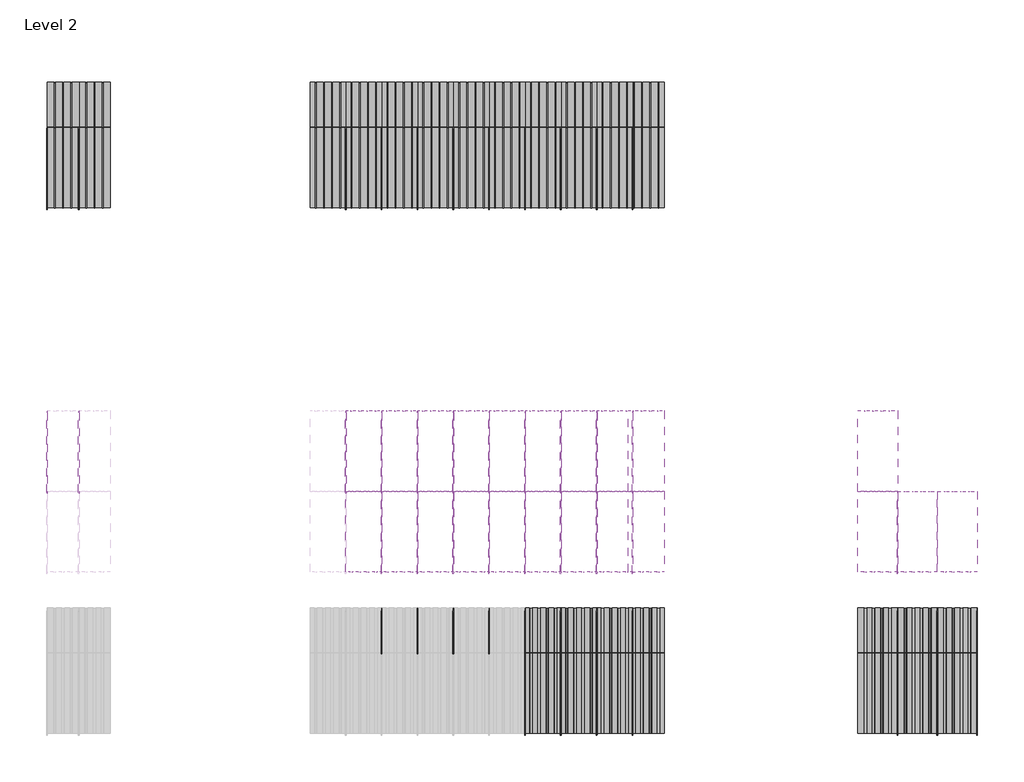
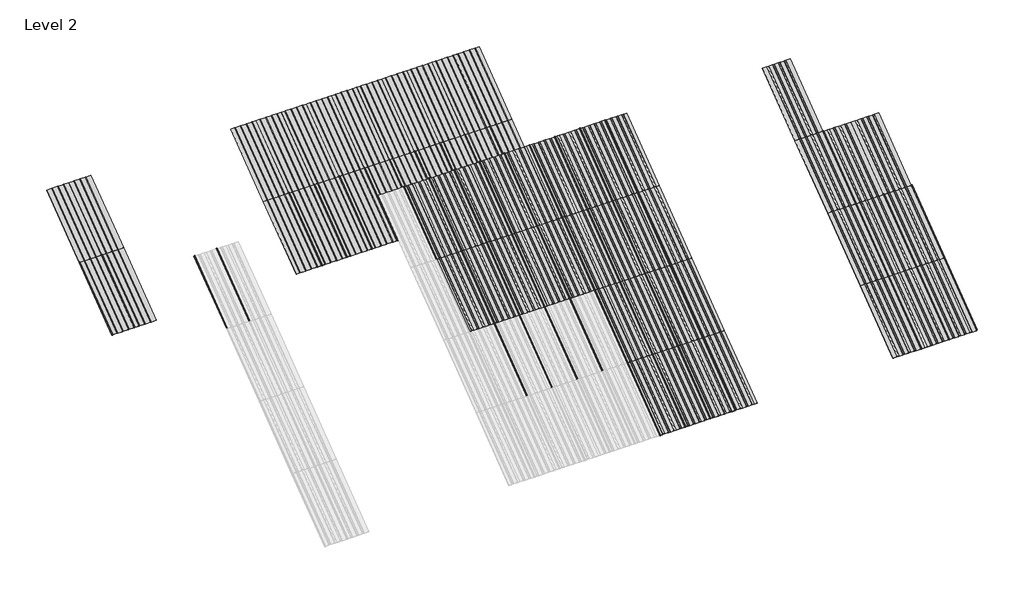
# One storey, part 25 of 113: 60 plates, 49 members.
"""IFC4 building model written with IfcOpenShell, lengths in millimetres."""

import ifcopenshell
import ifcopenshell.guid

model = None  # the IFC model being written
_history = None  # IfcOwnerHistory: only IFC2X3 demands one
_inside = {}  # id of a spatial element -> (the spatial element, [elements in it])
_under = {}  # id of a project, library or spatial element -> (it, [spatial elements below it])
_declared = {}  # id of a project -> (the project, [libraries it declares])
_typed = {}  # id of a type object -> (the type object, [elements of that type])
_made_of = {}  # id of a material, layer set ... -> (it, [elements and type objects made of it])


def new_model(schema):
    """Start an empty IFC model of exactly this schema.

    Asked for "IFC4X3", IfcOpenShell would pick the latest addendum, in which some entities
    have other attributes; the version numbers below select the first issue.
    IFC2X3 requires an IfcOwnerHistory on every rooted entity: one is made here for all.
    """
    global model, _history
    if schema == "IFC4X3":
        model = ifcopenshell.file(schema_version=(4, 3, 0, 0))
    else:
        model = ifcopenshell.file(schema=schema)
    _inside.clear()
    _under.clear()
    _declared.clear()
    _typed.clear()
    _made_of.clear()
    _history = None
    if model.schema == "IFC2X3":
        org = make("IfcOrganization", Name="unknown")
        user = make(
            "IfcPersonAndOrganization",
            ThePerson=make("IfcPerson", FamilyName="unknown"),
            TheOrganization=org,
        )
        app = make(
            "IfcApplication",
            ApplicationDeveloper=org,
            Version="unknown",
            ApplicationFullName="unknown",
            ApplicationIdentifier="unknown",
        )
        _history = make(
            "IfcOwnerHistory",
            OwningUser=user,
            OwningApplication=app,
            ChangeAction="ADDED",
            CreationDate=0,
        )
    return model


def make(cls, **values):
    """One entity of the class cls with the attributes given. An attribute that is None is left unset."""
    return model.create_entity(
        cls, **{name: value for name, value in values.items() if value is not None}
    )


def rooted(cls, **values):
    """An entity with a GlobalId (a new one), such as an element, a storey or a relation."""
    return make(cls, GlobalId=ifcopenshell.guid.new(), OwnerHistory=_history, **values)


def si_unit(unit_type, name, prefix=None):
    """IfcSIUnit, for example si_unit("LENGTHUNIT", "METRE", prefix="MILLI")."""
    return make("IfcSIUnit", UnitType=unit_type, Prefix=prefix, Name=name)


def assignment(units):
    """IfcUnitAssignment: the units of a project."""
    return None if units is None else make("IfcUnitAssignment", Units=units)


def point(xyz):
    """IfcCartesianPoint."""
    return None if xyz is None else make("IfcCartesianPoint", Coordinates=xyz)


def direction(xyz):
    """IfcDirection."""
    return None if xyz is None else make("IfcDirection", DirectionRatios=xyz)


def frame(location, z_axis=None, x_axis=None):
    """IfcAxis2Placement3D, a coordinate frame: its origin and axes. An axis left out is left unset."""
    return make(
        "IfcAxis2Placement3D",
        Location=point(location),
        Axis=direction(z_axis),
        RefDirection=direction(x_axis),
    )


def frame_2d(location, x_axis=None):
    """IfcAxis2Placement2D, a coordinate frame in the plane: its origin and x axis."""
    return make(
        "IfcAxis2Placement2D", Location=point(location), RefDirection=direction(x_axis)
    )


def origin():
    """The frame at (0, 0, 0) with its axes left unset."""
    return frame((0.0, 0.0, 0.0))


def origin_with_axes():
    """The frame at (0, 0, 0) with the z axis (0, 0, 1) and the x axis (1, 0, 0) written out."""
    return frame((0.0, 0.0, 0.0), z_axis=(0.0, 0.0, 1.0), x_axis=(1.0, 0.0, 0.0))


def origin_2d():
    """The frame at (0, 0) in the plane with its x axis left unset."""
    return frame_2d((0.0, 0.0))


def place(relative_to, where):
    """IfcLocalPlacement: puts the frame where relative to a parent placement (None: the world)."""
    return make(
        "IfcLocalPlacement", PlacementRelTo=relative_to, RelativePlacement=where
    )


def context(
    kind, dimensions, precision=None, world=None, true_north=None, identifier=None
):
    """IfcGeometricRepresentationContext, for example the 3D "Model" context."""
    return make(
        "IfcGeometricRepresentationContext",
        ContextIdentifier=identifier,
        ContextType=kind,
        CoordinateSpaceDimension=dimensions,
        Precision=precision,
        WorldCoordinateSystem=world,
        TrueNorth=true_north,
    )


def project(units=None, contexts=None):
    """IfcProject with its units and contexts."""
    return rooted(
        "IfcProject",
        Name="project",
        RepresentationContexts=contexts,
        UnitsInContext=assignment(units),
    )


def spatial(cls, under=None, at=None, **own):
    """A site, building, storey or space (cls), placed at a placement, below another one or the project."""
    s = rooted(cls, ObjectPlacement=at, **own)
    if under is not None:
        _under.setdefault(under.id(), (under, []))[1].append(s)
    return s


def polyline(points):
    """IfcPolyline through the points."""
    return make("IfcPolyline", Points=[point(p) for p in points])


def circle_curve(where, radius):
    """IfcCircle in the frame where."""
    return make("IfcCircle", Position=where, Radius=radius)


def trimmed(basis, trim1, trim2, sense, master):
    """IfcTrimmedCurve: the piece of a basis curve between two trims."""
    return make(
        "IfcTrimmedCurve",
        BasisCurve=basis,
        Trim1=trim1,
        Trim2=trim2,
        SenseAgreement=sense,
        MasterRepresentation=master,
    )


def segment(curve, same_sense, transition):
    """IfcCompositeCurveSegment."""
    return make(
        "IfcCompositeCurveSegment",
        Transition=transition,
        SameSense=same_sense,
        ParentCurve=curve,
    )


def composite_curve(segments, self_intersect=None):
    """IfcCompositeCurve: segments joined end to end."""
    return make("IfcCompositeCurve", Segments=segments, SelfIntersect=self_intersect)


def outline(outer, holes=None, kind="AREA"):
    """IfcArbitraryClosedProfileDef: a profile drawn as a closed curve; with holes, ...WithVoids."""
    if holes is None:
        return make("IfcArbitraryClosedProfileDef", ProfileType=kind, OuterCurve=outer)
    return make(
        "IfcArbitraryProfileDefWithVoids",
        ProfileType=kind,
        OuterCurve=outer,
        InnerCurves=holes,
    )


def extrude(swept, where, along, depth):
    """IfcExtrudedAreaSolid: the profile swept, set in the frame where, extruded along a direction by depth."""
    return make(
        "IfcExtrudedAreaSolid",
        SweptArea=swept,
        Position=where,
        ExtrudedDirection=direction(along),
        Depth=depth,
    )


def shape(context_of_items, identifier, shape_type, items):
    """IfcShapeRepresentation: the items that make up one representation, for example the "Body"."""
    return make(
        "IfcShapeRepresentation",
        ContextOfItems=context_of_items,
        RepresentationIdentifier=identifier,
        RepresentationType=shape_type,
        Items=items,
    )


def source(mapping_origin, context_of_items, identifier, shape_type, items):
    """IfcRepresentationMap: a shape defined once, which mapped items show again and again."""
    return make(
        "IfcRepresentationMap",
        MappingOrigin=mapping_origin,
        MappedRepresentation=shape(context_of_items, identifier, shape_type, items),
    )


def transform(
    local_origin,
    x_axis=None,
    y_axis=None,
    z_axis=None,
    scale=None,
    scale2=None,
    scale3=None,
    uniform=True,
):
    """IfcCartesianTransformationOperator3D, or its non-uniform kind. x_axis, y_axis, z_axis: its Axis1, 2, 3."""
    if uniform:
        return make(
            "IfcCartesianTransformationOperator3D",
            Axis1=direction(x_axis),
            Axis2=direction(y_axis),
            LocalOrigin=point(local_origin),
            Scale=scale,
            Axis3=direction(z_axis),
        )
    return make(
        "IfcCartesianTransformationOperator3DnonUniform",
        Axis1=direction(x_axis),
        Axis2=direction(y_axis),
        LocalOrigin=point(local_origin),
        Scale=scale,
        Axis3=direction(z_axis),
        Scale2=scale2,
        Scale3=scale3,
    )


def mapped(mapping_source, mapping_target):
    """IfcMappedItem: shows the shape of a source again, moved by a transform."""
    return make(
        "IfcMappedItem", MappingSource=mapping_source, MappingTarget=mapping_target
    )


def made_of(thing, what):
    """Note that an element or type object is made of a material, layer set ...; save() writes the relation."""
    if what is not None:
        _made_of.setdefault(what.id(), (what, []))[1].append(thing)
    return thing


def element(
    cls,
    number,
    at=None,
    inside=None,
    cuts=None,
    type_object=None,
    material=None,
    context=None,
    identifier="Body",
    shape_type=None,
    held_by="IfcProductDefinitionShape",
    body=None,
    shapes=None,
    **own,
):
    """One element of the class cls, such as IfcWall. Its Tag is "e" and its number.

    at: its placement. inside: the storey or other place that contains it. cuts: it is an
    opening in that element (IfcRelVoidsElement). A single representation is given by context,
    identifier, shape_type and body (its items); several are given by shapes. held_by: the class
    of the entity that holds the representations. save() writes the other relations.
    """
    e = rooted(cls, Tag="e%d" % number, ObjectPlacement=at, **own)
    if body is not None:
        shapes = [shape(context, identifier, shape_type, body)]
    if shapes is not None:
        e.Representation = make(held_by, Representations=shapes)
    if inside is not None:
        _inside.setdefault(inside.id(), (inside, []))[1].append(e)
    if cuts is not None:
        rooted(
            "IfcRelVoidsElement", RelatingBuildingElement=cuts, RelatedOpeningElement=e
        )
    if type_object is not None:
        _typed.setdefault(type_object.id(), (type_object, []))[1].append(e)
    return made_of(e, material)


def aggregate(whole, parts):
    """IfcRelAggregates: a whole, such as a stair, and the parts it consists of."""
    return rooted("IfcRelAggregates", RelatingObject=whole, RelatedObjects=parts)


def save(model, path):
    """Write the relations noted so far, then the file.

    IfcRelAggregates (storeys below a building ...), IfcRelContainedInSpatialStructure (elements
    in a storey), IfcRelDefinesByType, IfcRelAssociatesMaterial and IfcRelDeclares: one each for
    every whole, place, type object, material and project.
    """
    for whole, parts in _under.values():
        aggregate(whole, parts)
    for where, things in _inside.values():
        rooted(
            "IfcRelContainedInSpatialStructure",
            RelatedElements=things,
            RelatingStructure=where,
        )
    for kind, things in _typed.values():
        rooted("IfcRelDefinesByType", RelatedObjects=things, RelatingType=kind)
    for what, things in _made_of.values():
        rooted("IfcRelAssociatesMaterial", RelatedObjects=things, RelatingMaterial=what)
    for by, libraries in _declared.values():
        rooted("IfcRelDeclares", RelatingContext=by, RelatedDefinitions=libraries)
    model.write(path)


def rectangular_mullion_fdfbbcc3(model_context):
    return source(origin(), model_context, "Body", "SweptSolid", [
        extrude(outline(composite_curve([segment(polyline([(-1.651, -33.7200875), (-1.651, 0.5953125), (1.778, 0.5953125), (1.778, -36.2600875)]), True, "CONTINUOUS"), segment(trimmed(circle_curve(frame_2d((-0.762, -36.2600875)), 2.54), [point((1.778, -36.2600875))], [point((-0.762, -38.8000875))], False, "CARTESIAN"), True, "CONTINUOUS"), segment(polyline([(-0.762, -38.8000875), (-5.207, -38.8000875)]), True, "CONTINUOUS"), segment(trimmed(circle_curve(frame_2d((-5.207, -36.2600875)), 2.54), [point((-5.207, -38.8000875))], [point((-7.747, -36.2600875))], False, "CARTESIAN"), True, "CONTINUOUS"), segment(polyline([(-7.747, -36.2600875), (-7.747, -26.2270875)]), True, "CONTINUOUS"), segment(trimmed(circle_curve(frame_2d((-5.207, -26.2270875)), 2.54), [point((-7.747, -26.2270875))], [point((-2.667, -26.2270875))], False, "CARTESIAN"), True, "CONTINUOUS"), segment(polyline([(-2.667, -26.2270875), (-2.667, -33.7200875), (-1.651, -33.7200875)]), True, "CONTINUOUS")], self_intersect=False)), frame((0.0, 0.0, -1285.875), z_axis=(0.0, 0.0, 1.0), x_axis=(1.0, 0.0, 0.0)), (0.0, 0.0, 1.0), 1285.875),
    ])


def plate_0_04_aluminium_7b209127(model_context):
    return source(origin(), model_context, "Body", "SweptSolid", [
        extrude(outline(polyline([(33.654793, 0.0), (-33.654793, 0.0), (-37.203173, -3.54838), (-66.870787, -3.54838), (-70.419167, 0.0), (-137.728753, 0.0), (-141.277133, -3.54838), (-170.944747, -3.54838), (-174.493127, 0.0), (-228.6, 0.0), (-228.6, 1.016), (-174.42942, 1.016), (-170.88104, -2.53238), (-141.34084, -2.53238), (-137.79246, 1.016), (-70.35546, 1.016), (-66.80708, -2.53238), (-37.26688, -2.53238), (-33.7185, 1.016), (33.7185, 1.016), (37.26688, -2.53238), (66.80708, -2.53238), (70.35546, 1.016), (137.79246, 1.016), (141.34084, -2.53238), (170.88104, -2.53238), (174.42942, 1.016), (228.6, 1.016), (228.6, 0.0), (174.493127, 0.0), (170.944747, -3.54838), (141.277133, -3.54838), (137.728753, 0.0), (70.419167, 0.0), (66.870787, -3.54838), (37.203173, -3.54838), (33.654793, 0.0)])), origin_with_axes(), (0.0, 0.0, 1.0), 1285.875),
    ])


def plate_0_04_aluminium_c12e473e(model_context):
    return source(origin(), model_context, "Body", "SweptSolid", [
        extrude(outline(polyline([(33.654793, 0.0), (-33.654793, 0.0), (-37.203173, -3.54838), (-66.870787, -3.54838), (-70.419167, 0.0), (-137.728753, 0.0), (-141.277133, -3.54838), (-170.944747, -3.54838), (-174.493127, 0.0), (-254.0, 0.0), (-254.0, 1.016), (-174.42942, 1.016), (-170.88104, -2.53238), (-141.34084, -2.53238), (-137.79246, 1.016), (-70.35546, 1.016), (-66.80708, -2.53238), (-37.26688, -2.53238), (-33.7185, 1.016), (33.7185, 1.016), (37.26688, -2.53238), (66.80708, -2.53238), (70.35546, 1.016), (137.79246, 1.016), (141.34084, -2.53238), (170.88104, -2.53238), (174.42942, 1.016), (254.0, 1.016), (254.0, 0.0), (174.493127, 0.0), (170.944747, -3.54838), (141.277133, -3.54838), (137.728753, 0.0), (70.419167, 0.0), (66.870787, -3.54838), (37.203173, -3.54838), (33.654793, 0.0)])), origin_with_axes(), (0.0, 0.0, 1.0), 1285.875),
    ])


def plate_0_04_aluminium_0b8a259f(model_context):
    return source(origin(), model_context, "Body", "SweptSolid", [
        extrude(outline(composite_curve([segment(polyline([(-111.1987494, 1.016), (-111.1987494, 0.0)]), True, "CONTINUOUS"), segment(trimmed(circle_curve(frame_2d((-105.6615494, 0.0)), 5.5372), [point((-111.1987494, 0.0))], [point((-100.1243494, 0.0))], True, "CARTESIAN"), True, "CONTINUOUS"), segment(polyline([(-100.1243494, 0.0), (-100.1243494, 0.8128), (-5.5372, 0.8128), (-5.5372, 0.0)]), True, "CONTINUOUS"), segment(trimmed(circle_curve(origin_2d(), 5.5372), [point((-5.5372, 0.0))], [point((5.5372, 0.0))], True, "CARTESIAN"), True, "CONTINUOUS"), segment(polyline([(5.5372, 0.0), (5.5372, 0.8128), (98.53676, 0.8128), (98.53676, 0.0)]), True, "CONTINUOUS"), segment(trimmed(circle_curve(frame_2d((104.07396, 0.0)), 5.5372), [point((98.53676, 0.0))], [point((109.61116, 0.0))], True, "CARTESIAN"), True, "CONTINUOUS"), segment(polyline([(109.61116, 0.0), (109.61116, 0.8128), (203.2, 0.8128), (203.2, 0.0), (110.42396, 0.0)]), True, "CONTINUOUS"), segment(trimmed(circle_curve(frame_2d((104.07396, 0.0)), 6.35), [point((110.42396, 0.0))], [point((97.72396, 0.0))], False, "CARTESIAN"), True, "CONTINUOUS"), segment(polyline([(97.72396, 0.0), (6.35, 0.0)]), True, "CONTINUOUS"), segment(trimmed(circle_curve(origin_2d(), 6.35), [point((6.35, 0.0))], [point((-6.35, 0.0))], False, "CARTESIAN"), True, "CONTINUOUS"), segment(polyline([(-6.35, 0.0), (-99.3115494, 0.0)]), True, "CONTINUOUS"), segment(trimmed(circle_curve(frame_2d((-105.6615494, 0.0)), 6.35), [point((-99.3115494, 0.0))], [point((-112.0115494, 0.0))], False, "CARTESIAN"), True, "CONTINUOUS"), segment(polyline([(-112.0115494, 0.0), (-203.2, 0.0), (-203.2, 1.016), (-111.1987494, 1.016)]), True, "CONTINUOUS")], self_intersect=False)), origin_with_axes(), (0.0, 0.0, 1.0), 1285.875),
    ])


def plate_0_04_aluminium_6ef417ca(model_context):
    return source(origin(), model_context, "Body", "SweptSolid", [
        extrude(outline(composite_curve([segment(polyline([(45.68698, 0.0), (-45.68698, 0.0)]), True, "CONTINUOUS"), segment(trimmed(circle_curve(frame_2d((-52.03698, 0.0)), 6.35), [point((-45.68698, 0.0))], [point((-58.38698, 0.0))], False, "CARTESIAN"), True, "CONTINUOUS"), segment(polyline([(-58.38698, 0.0), (-149.76094, 0.0)]), True, "CONTINUOUS"), segment(trimmed(circle_curve(frame_2d((-156.11094, 0.0)), 6.35), [point((-149.76094, 0.0))], [point((-162.46094, 0.0))], False, "CARTESIAN"), True, "CONTINUOUS"), segment(polyline([(-162.46094, 0.0), (-228.6, 0.0), (-228.6, 1.016), (-161.64814, 1.016), (-161.64814, 0.0)]), True, "CONTINUOUS"), segment(trimmed(circle_curve(frame_2d((-156.11094, 0.0)), 5.5372), [point((-161.64814, 0.0))], [point((-150.57374, 0.0))], True, "CARTESIAN"), True, "CONTINUOUS"), segment(polyline([(-150.57374, 0.0), (-150.57374, 1.016), (-57.57418, 1.016), (-57.57418, 0.0)]), True, "CONTINUOUS"), segment(trimmed(circle_curve(frame_2d((-52.03698, 0.0)), 5.5372), [point((-57.57418, 0.0))], [point((-46.49978, 0.0))], True, "CARTESIAN"), True, "CONTINUOUS"), segment(polyline([(-46.49978, 0.0), (-46.49978, 1.016), (46.49978, 1.016), (46.49978, 0.0)]), True, "CONTINUOUS"), segment(trimmed(circle_curve(frame_2d((52.03698, 0.0)), 5.5372), [point((46.49978, 0.0))], [point((57.57418, 0.0))], True, "CARTESIAN"), True, "CONTINUOUS"), segment(polyline([(57.57418, 0.0), (57.57418, 1.016), (150.57374, 1.016), (150.57374, 0.0)]), True, "CONTINUOUS"), segment(trimmed(circle_curve(frame_2d((156.11094, 0.0)), 5.5372), [point((150.57374, 0.0))], [point((161.64814, 0.0))], True, "CARTESIAN"), True, "CONTINUOUS"), segment(polyline([(161.64814, 0.0), (161.64814, 1.016), (228.6, 1.016), (228.6, 0.0), (162.46094, 0.0)]), True, "CONTINUOUS"), segment(trimmed(circle_curve(frame_2d((156.11094, 0.0)), 6.35), [point((162.46094, 0.0))], [point((149.76094, 0.0))], False, "CARTESIAN"), True, "CONTINUOUS"), segment(polyline([(149.76094, 0.0), (58.38698, 0.0)]), True, "CONTINUOUS"), segment(trimmed(circle_curve(frame_2d((52.03698, 0.0)), 6.35), [point((58.38698, 0.0))], [point((45.68698, 0.0))], False, "CARTESIAN"), True, "CONTINUOUS")], self_intersect=False)), origin_with_axes(), (0.0, 0.0, 1.0), 1285.875),
    ])


model = new_model("IFC4")

# Units and contexts
model_context = context("Model", 3, world=origin())
ifc_project = project(units=[si_unit("LENGTHUNIT", "METRE", prefix="MILLI")], contexts=[model_context])

# Site, building, storey
site = spatial("IfcSite", under=ifc_project)
building = spatial("IfcBuilding", under=site)
storey = spatial("IfcBuildingStorey", under=building, Name="Level 2", Elevation=3048.0)

# Members
placement = place(None, origin())
rectangular_mullion_shape = rectangular_mullion_fdfbbcc3(model_context)
element("IfcMember", 1, ObjectType="Rectangular Mullion", at=placement, inside=storey, context=model_context, shape_type="MappedRepresentation", body=[
    mapped(rectangular_mullion_shape, transform((32109.7538419, 52371.3111864, 6134.1), x_axis=(1.0, 0.0, 0.0), y_axis=(0.0, 0.5999999999999946, -0.800000000000004), z_axis=(0.0, 0.800000000000004, 0.5999999999999946))),
])
element("IfcMember", 2, ObjectType="Rectangular Mullion", at=placement, inside=storey, context=model_context, shape_type="MappedRepresentation", body=[
    mapped(rectangular_mullion_shape, transform((35919.7538419, 52371.3111864, 6134.1), x_axis=(1.0, 0.0, 0.0), y_axis=(0.0, 0.5999999999999946, -0.800000000000004), z_axis=(0.0, 0.800000000000004, 0.5999999999999946))),
])
element("IfcMember", 3, ObjectType="Rectangular Mullion", at=placement, inside=storey, context=model_context, shape_type="MappedRepresentation", body=[
    mapped(rectangular_mullion_shape, transform((36376.9538419, 52371.3111864, 6134.1), x_axis=(1.0, 0.0, 0.0), y_axis=(0.0, 0.5999999999999946, -0.800000000000004), z_axis=(0.0, 0.800000000000004, 0.5999999999999946))),
])
element("IfcMember", 4, ObjectType="Rectangular Mullion", at=placement, inside=storey, context=model_context, shape_type="MappedRepresentation", body=[
    mapped(rectangular_mullion_shape, transform((36834.1538419, 52371.3111864, 6134.1), x_axis=(1.0, 0.0, 0.0), y_axis=(0.0, 0.5999999999999946, -0.800000000000004), z_axis=(0.0, 0.800000000000004, 0.5999999999999946))),
])
element("IfcMember", 5, ObjectType="Rectangular Mullion", at=placement, inside=storey, context=model_context, shape_type="MappedRepresentation", body=[
    mapped(rectangular_mullion_shape, transform((37291.3538419, 52371.3111864, 6134.1), x_axis=(1.0, 0.0, 0.0), y_axis=(0.0, 0.5999999999999946, -0.800000000000004), z_axis=(0.0, 0.800000000000004, 0.5999999999999946))),
])
element("IfcMember", 6, ObjectType="Rectangular Mullion", at=placement, inside=storey, context=model_context, shape_type="MappedRepresentation", body=[
    mapped(rectangular_mullion_shape, transform((37748.5538419, 52371.3111864, 6134.1), x_axis=(1.0, 0.0, 0.0), y_axis=(0.0, 0.5999999999999946, -0.800000000000004), z_axis=(0.0, 0.800000000000004, 0.5999999999999946))),
])
element("IfcMember", 7, ObjectType="Rectangular Mullion", at=placement, inside=storey, context=model_context, shape_type="MappedRepresentation", body=[
    mapped(rectangular_mullion_shape, transform((38205.7538419, 52371.3111864, 6134.1), x_axis=(1.0, 0.0, 0.0), y_axis=(0.0, 0.5999999999999946, -0.800000000000004), z_axis=(0.0, 0.800000000000004, 0.5999999999999946))),
])
element("IfcMember", 8, ObjectType="Rectangular Mullion", at=placement, inside=storey, context=model_context, shape_type="MappedRepresentation", body=[
    mapped(rectangular_mullion_shape, transform((38662.9538419, 52371.3111864, 6134.1), x_axis=(1.0, 0.0, 0.0), y_axis=(0.0, 0.5999999999999946, -0.800000000000004), z_axis=(0.0, 0.800000000000004, 0.5999999999999946))),
])
element("IfcMember", 9, ObjectType="Rectangular Mullion", at=placement, inside=storey, context=model_context, shape_type="MappedRepresentation", body=[
    mapped(rectangular_mullion_shape, transform((39120.1538419, 52371.3111864, 6134.1), x_axis=(1.0, 0.0, 0.0), y_axis=(0.0, 0.5999999999999946, -0.800000000000004), z_axis=(0.0, 0.800000000000004, 0.5999999999999946))),
])
element("IfcMember", 10, ObjectType="Rectangular Mullion", at=placement, inside=storey, context=model_context, shape_type="MappedRepresentation", body=[
    mapped(rectangular_mullion_shape, transform((39577.3538419, 52371.3111864, 6134.1), x_axis=(1.0, 0.0, 0.0), y_axis=(0.0, 0.5999999999999946, -0.800000000000004), z_axis=(0.0, 0.800000000000004, 0.5999999999999946))),
])
element("IfcMember", 11, ObjectType="Rectangular Mullion", at=placement, inside=storey, context=model_context, shape_type="MappedRepresentation", body=[
    mapped(rectangular_mullion_shape, transform((32516.1538419, 52371.3111864, 6134.1), x_axis=(1.0, 0.0, 0.0), y_axis=(0.0, 0.5999999999999946, -0.800000000000004), z_axis=(0.0, 0.800000000000004, 0.5999999999999946))),
])
element("IfcMember", 12, ObjectType="Rectangular Mullion", at=placement, inside=storey, context=model_context, shape_type="MappedRepresentation", body=[
    mapped(rectangular_mullion_shape, transform((38205.7538419, 49285.2111864, 3819.525), x_axis=(1.0, 0.0, 0.0), y_axis=(0.0, 0.5999999999999939, -0.8000000000000047), z_axis=(0.0, 0.8000000000000047, 0.5999999999999939))),
])
element("IfcMember", 13, ObjectType="Rectangular Mullion", at=placement, inside=storey, context=model_context, shape_type="MappedRepresentation", body=[
    mapped(rectangular_mullion_shape, transform((38662.9538419, 49285.2111864, 3819.525), x_axis=(1.0, 0.0, 0.0), y_axis=(0.0, 0.5999999999999939, -0.8000000000000047), z_axis=(0.0, 0.8000000000000047, 0.5999999999999939))),
])
element("IfcMember", 14, ObjectType="Rectangular Mullion", at=placement, inside=storey, context=model_context, shape_type="MappedRepresentation", body=[
    mapped(rectangular_mullion_shape, transform((39120.1538419, 49285.2111864, 3819.525), x_axis=(1.0, 0.0, 0.0), y_axis=(0.0, 0.5999999999999939, -0.8000000000000047), z_axis=(0.0, 0.8000000000000047, 0.5999999999999939))),
])
element("IfcMember", 15, ObjectType="Rectangular Mullion", at=placement, inside=storey, context=model_context, shape_type="MappedRepresentation", body=[
    mapped(rectangular_mullion_shape, transform((39577.3538419, 49285.2111864, 3819.525), x_axis=(1.0, 0.0, 0.0), y_axis=(0.0, 0.5999999999999939, -0.8000000000000047), z_axis=(0.0, 0.8000000000000047, 0.5999999999999939))),
])
element("IfcMember", 16, ObjectType="Rectangular Mullion", at=placement, inside=storey, context=model_context, shape_type="MappedRepresentation", body=[
    mapped(rectangular_mullion_shape, transform((42955.5538419, 49285.2111864, 3819.525), x_axis=(1.0, 0.0, 0.0), y_axis=(0.0, 0.5999999999999939, -0.8000000000000047), z_axis=(0.0, 0.8000000000000047, 0.5999999999999939))),
])
element("IfcMember", 17, ObjectType="Rectangular Mullion", at=placement, inside=storey, context=model_context, shape_type="MappedRepresentation", body=[
    mapped(rectangular_mullion_shape, transform((43463.5538419, 49285.2111864, 3819.525), x_axis=(1.0, 0.0, 0.0), y_axis=(0.0, 0.5999999999999939, -0.8000000000000047), z_axis=(0.0, 0.8000000000000047, 0.5999999999999939))),
])
element("IfcMember", 18, ObjectType="Rectangular Mullion", at=placement, inside=storey, context=model_context, shape_type="MappedRepresentation", body=[
    mapped(rectangular_mullion_shape, transform((43971.5538419, 49285.2111864, 3819.525), x_axis=(1.0, 0.0, 0.0), y_axis=(0.0, 0.5999999999999939, -0.8000000000000047), z_axis=(0.0, 0.8000000000000047, 0.5999999999999939))),
])
element("IfcMember", 19, ObjectType="Rectangular Mullion", at=placement, inside=storey, context=model_context, shape_type="MappedRepresentation", body=[
    mapped(rectangular_mullion_shape, transform((32109.7538419, 55990.3349364, 3819.525), x_axis=(1.0, 0.0, 0.0), y_axis=(0.0, 0.5999999999999939, -0.8000000000000047), z_axis=(0.0, 0.8000000000000047, 0.5999999999999939))),
])
element("IfcMember", 20, ObjectType="Rectangular Mullion", at=placement, inside=storey, context=model_context, shape_type="MappedRepresentation", body=[
    mapped(rectangular_mullion_shape, transform((35919.7538419, 55990.3349364, 3819.525), x_axis=(1.0, 0.0, 0.0), y_axis=(0.0, 0.5999999999999939, -0.8000000000000047), z_axis=(0.0, 0.8000000000000047, 0.5999999999999939))),
])
element("IfcMember", 21, ObjectType="Rectangular Mullion", at=placement, inside=storey, context=model_context, shape_type="MappedRepresentation", body=[
    mapped(rectangular_mullion_shape, transform((36376.9538419, 55990.3349364, 3819.525), x_axis=(1.0, 0.0, 0.0), y_axis=(0.0, 0.5999999999999939, -0.8000000000000047), z_axis=(0.0, 0.8000000000000047, 0.5999999999999939))),
])
element("IfcMember", 22, ObjectType="Rectangular Mullion", at=placement, inside=storey, context=model_context, shape_type="MappedRepresentation", body=[
    mapped(rectangular_mullion_shape, transform((36834.1538419, 55990.3349364, 3819.525), x_axis=(1.0, 0.0, 0.0), y_axis=(0.0, 0.5999999999999939, -0.8000000000000047), z_axis=(0.0, 0.8000000000000047, 0.5999999999999939))),
])
element("IfcMember", 23, ObjectType="Rectangular Mullion", at=placement, inside=storey, context=model_context, shape_type="MappedRepresentation", body=[
    mapped(rectangular_mullion_shape, transform((37291.3538419, 55990.3349364, 3819.525), x_axis=(1.0, 0.0, 0.0), y_axis=(0.0, 0.5999999999999939, -0.8000000000000047), z_axis=(0.0, 0.8000000000000047, 0.5999999999999939))),
])
element("IfcMember", 24, ObjectType="Rectangular Mullion", at=placement, inside=storey, context=model_context, shape_type="MappedRepresentation", body=[
    mapped(rectangular_mullion_shape, transform((37748.5538419, 55990.3349364, 3819.525), x_axis=(1.0, 0.0, 0.0), y_axis=(0.0, 0.5999999999999939, -0.8000000000000047), z_axis=(0.0, 0.8000000000000047, 0.5999999999999939))),
])
element("IfcMember", 25, ObjectType="Rectangular Mullion", at=placement, inside=storey, context=model_context, shape_type="MappedRepresentation", body=[
    mapped(rectangular_mullion_shape, transform((38205.7538419, 55990.3349364, 3819.525), x_axis=(1.0, 0.0, 0.0), y_axis=(0.0, 0.5999999999999939, -0.8000000000000047), z_axis=(0.0, 0.8000000000000047, 0.5999999999999939))),
])
element("IfcMember", 26, ObjectType="Rectangular Mullion", at=placement, inside=storey, context=model_context, shape_type="MappedRepresentation", body=[
    mapped(rectangular_mullion_shape, transform((38662.9538419, 55990.3349364, 3819.525), x_axis=(1.0, 0.0, 0.0), y_axis=(0.0, 0.5999999999999939, -0.8000000000000047), z_axis=(0.0, 0.8000000000000047, 0.5999999999999939))),
])
element("IfcMember", 27, ObjectType="Rectangular Mullion", at=placement, inside=storey, context=model_context, shape_type="MappedRepresentation", body=[
    mapped(rectangular_mullion_shape, transform((39120.1538419, 55990.3349364, 3819.525), x_axis=(1.0, 0.0, 0.0), y_axis=(0.0, 0.5999999999999939, -0.8000000000000047), z_axis=(0.0, 0.8000000000000047, 0.5999999999999939))),
])
element("IfcMember", 28, ObjectType="Rectangular Mullion", at=placement, inside=storey, context=model_context, shape_type="MappedRepresentation", body=[
    mapped(rectangular_mullion_shape, transform((39577.3538419, 55990.3349364, 3819.525), x_axis=(1.0, 0.0, 0.0), y_axis=(0.0, 0.5999999999999939, -0.8000000000000047), z_axis=(0.0, 0.8000000000000047, 0.5999999999999939))),
])
element("IfcMember", 29, ObjectType="Rectangular Mullion", at=placement, inside=storey, context=model_context, shape_type="MappedRepresentation", body=[
    mapped(rectangular_mullion_shape, transform((32516.1538419, 55990.3349364, 3819.525), x_axis=(1.0, 0.0, 0.0), y_axis=(0.0, 0.5999999999999939, -0.8000000000000047), z_axis=(0.0, 0.8000000000000047, 0.5999999999999939))),
])
element("IfcMember", 30, ObjectType="Rectangular Mullion", at=placement, inside=storey, context=model_context, shape_type="MappedRepresentation", body=[
    mapped(rectangular_mullion_shape, transform((36376.9538419, 50313.9111864, 4591.05), x_axis=(1.0, 0.0, 0.0), y_axis=(0.0, 0.5999999999999952, -0.8000000000000037), z_axis=(0.0, 0.8000000000000037, 0.5999999999999952))),
])
element("IfcMember", 31, ObjectType="Rectangular Mullion", at=placement, inside=storey, context=model_context, shape_type="MappedRepresentation", body=[
    mapped(rectangular_mullion_shape, transform((36376.9538419, 51342.6111864, 5362.575), x_axis=(1.0, 0.0, 0.0), y_axis=(0.0, 0.5999999999999941, -0.8000000000000045), z_axis=(0.0, 0.8000000000000044, 0.599999999999994))),
])
element("IfcMember", 32, ObjectType="Rectangular Mullion", at=placement, inside=storey, context=model_context, shape_type="MappedRepresentation", body=[
    mapped(rectangular_mullion_shape, transform((36834.1538419, 50313.9111864, 4591.05), x_axis=(1.0, 0.0, 0.0), y_axis=(0.0, 0.5999999999999952, -0.8000000000000037), z_axis=(0.0, 0.8000000000000037, 0.5999999999999952))),
])
element("IfcMember", 33, ObjectType="Rectangular Mullion", at=placement, inside=storey, context=model_context, shape_type="MappedRepresentation", body=[
    mapped(rectangular_mullion_shape, transform((37291.3538419, 50313.9111864, 4591.05), x_axis=(1.0, 0.0, 0.0), y_axis=(0.0, 0.5999999999999952, -0.8000000000000037), z_axis=(0.0, 0.8000000000000037, 0.5999999999999952))),
])
element("IfcMember", 34, ObjectType="Rectangular Mullion", at=placement, inside=storey, context=model_context, shape_type="MappedRepresentation", body=[
    mapped(rectangular_mullion_shape, transform((37748.5538419, 50313.9111864, 4591.05), x_axis=(1.0, 0.0, 0.0), y_axis=(0.0, 0.5999999999999952, -0.8000000000000037), z_axis=(0.0, 0.8000000000000037, 0.5999999999999952))),
])
element("IfcMember", 35, ObjectType="Rectangular Mullion", at=placement, inside=storey, context=model_context, shape_type="MappedRepresentation", body=[
    mapped(rectangular_mullion_shape, transform((38205.7538419, 50313.9111864, 4591.05), x_axis=(1.0, 0.0, 0.0), y_axis=(0.0, 0.5999999999999952, -0.8000000000000037), z_axis=(0.0, 0.8000000000000037, 0.5999999999999952))),
])
element("IfcMember", 36, ObjectType="Rectangular Mullion", at=placement, inside=storey, context=model_context, shape_type="MappedRepresentation", body=[
    mapped(rectangular_mullion_shape, transform((38662.9538419, 50313.9111864, 4591.05), x_axis=(1.0, 0.0, 0.0), y_axis=(0.0, 0.5999999999999952, -0.8000000000000037), z_axis=(0.0, 0.8000000000000037, 0.5999999999999952))),
])
element("IfcMember", 37, ObjectType="Rectangular Mullion", at=placement, inside=storey, context=model_context, shape_type="MappedRepresentation", body=[
    mapped(rectangular_mullion_shape, transform((39120.1538419, 50313.9111864, 4591.05), x_axis=(1.0, 0.0, 0.0), y_axis=(0.0, 0.5999999999999949, -0.8000000000000038), z_axis=(0.0, 0.8000000000000038, 0.5999999999999949))),
])
element("IfcMember", 38, ObjectType="Rectangular Mullion", at=placement, inside=storey, context=model_context, shape_type="MappedRepresentation", body=[
    mapped(rectangular_mullion_shape, transform((39577.3538419, 50313.9111864, 4591.05), x_axis=(1.0, 0.0, 0.0), y_axis=(0.0, 0.5999999999999952, -0.8000000000000037), z_axis=(0.0, 0.8000000000000037, 0.5999999999999952))),
])
element("IfcMember", 39, ObjectType="Rectangular Mullion", at=placement, inside=storey, context=model_context, shape_type="MappedRepresentation", body=[
    mapped(rectangular_mullion_shape, transform((36834.1538419, 51342.6111864, 5362.575), x_axis=(1.0, 0.0, 0.0), y_axis=(0.0, 0.5999999999999941, -0.8000000000000045), z_axis=(0.0, 0.8000000000000044, 0.599999999999994))),
])
element("IfcMember", 40, ObjectType="Rectangular Mullion", at=placement, inside=storey, context=model_context, shape_type="MappedRepresentation", body=[
    mapped(rectangular_mullion_shape, transform((37291.3538419, 51342.6111864, 5362.575), x_axis=(1.0, 0.0, 0.0), y_axis=(0.0, 0.5999999999999941, -0.8000000000000045), z_axis=(0.0, 0.8000000000000044, 0.599999999999994))),
])
element("IfcMember", 41, ObjectType="Rectangular Mullion", at=placement, inside=storey, context=model_context, shape_type="MappedRepresentation", body=[
    mapped(rectangular_mullion_shape, transform((37748.5538419, 51342.6111864, 5362.575), x_axis=(1.0, 0.0, 0.0), y_axis=(0.0, 0.5999999999999941, -0.8000000000000045), z_axis=(0.0, 0.8000000000000044, 0.599999999999994))),
])
element("IfcMember", 42, ObjectType="Rectangular Mullion", at=placement, inside=storey, context=model_context, shape_type="MappedRepresentation", body=[
    mapped(rectangular_mullion_shape, transform((38205.7538419, 51342.6111864, 5362.575), x_axis=(1.0, 0.0, 0.0), y_axis=(0.0, 0.5999999999999941, -0.8000000000000045), z_axis=(0.0, 0.8000000000000044, 0.599999999999994))),
])
element("IfcMember", 43, ObjectType="Rectangular Mullion", at=placement, inside=storey, context=model_context, shape_type="MappedRepresentation", body=[
    mapped(rectangular_mullion_shape, transform((38662.9538419, 51342.6111864, 5362.575), x_axis=(1.0, 0.0, 0.0), y_axis=(0.0, 0.5999999999999941, -0.8000000000000045), z_axis=(0.0, 0.8000000000000044, 0.599999999999994))),
])
element("IfcMember", 44, ObjectType="Rectangular Mullion", at=placement, inside=storey, context=model_context, shape_type="MappedRepresentation", body=[
    mapped(rectangular_mullion_shape, transform((39120.1538419, 51342.6111864, 5362.575), x_axis=(1.0, 0.0, 0.0), y_axis=(0.0, 0.5999999999999939, -0.8000000000000047), z_axis=(0.0, 0.8000000000000047, 0.5999999999999939))),
])
element("IfcMember", 45, ObjectType="Rectangular Mullion", at=placement, inside=storey, context=model_context, shape_type="MappedRepresentation", body=[
    mapped(rectangular_mullion_shape, transform((39577.3538419, 51342.6111864, 5362.575), x_axis=(1.0, 0.0, 0.0), y_axis=(0.0, 0.5999999999999941, -0.8000000000000045), z_axis=(0.0, 0.8000000000000044, 0.599999999999994))),
])
element("IfcMember", 46, ObjectType="Rectangular Mullion", at=placement, inside=storey, context=model_context, shape_type="MappedRepresentation", body=[
    mapped(rectangular_mullion_shape, transform((42955.5538419, 50313.9111864, 4591.05), x_axis=(1.0, 0.0, 0.0), y_axis=(0.0, 0.5999999999999952, -0.8000000000000037), z_axis=(0.0, 0.8000000000000037, 0.5999999999999952))),
])
element("IfcMember", 47, ObjectType="Rectangular Mullion", at=placement, inside=storey, context=model_context, shape_type="MappedRepresentation", body=[
    mapped(rectangular_mullion_shape, transform((43463.5538419, 50313.9111864, 4591.05), x_axis=(1.0, 0.0, 0.0), y_axis=(0.0, 0.5999999999999952, -0.8000000000000037), z_axis=(0.0, 0.8000000000000037, 0.5999999999999952))),
])
element("IfcMember", 48, ObjectType="Rectangular Mullion", at=placement, inside=storey, context=model_context, shape_type="MappedRepresentation", body=[
    mapped(rectangular_mullion_shape, transform((42955.5538419, 51342.6111864, 5362.575), x_axis=(1.0, 0.0, 0.0), y_axis=(0.0, 0.5999999999999941, -0.8000000000000045), z_axis=(0.0, 0.8000000000000044, 0.599999999999994))),
])
element("IfcMember", 49, ObjectType="Rectangular Mullion", at=placement, inside=storey, context=model_context, shape_type="MappedRepresentation", body=[
    mapped(rectangular_mullion_shape, transform((43971.5538419, 50313.9111864, 4591.05), x_axis=(1.0, 0.0, 0.0), y_axis=(0.0, 0.5999999999999952, -0.8000000000000037), z_axis=(0.0, 0.8000000000000037, 0.5999999999999952))),
])

# Plates
plate_0_04_aluminium_shape = plate_0_04_aluminium_7b209127(model_context)
element("IfcPlate", 50, ObjectType="0.04 Aluminium", at=placement, inside=storey, context=model_context, shape_type="MappedRepresentation", body=[
    mapped(plate_0_04_aluminium_shape, transform((36148.4173419, 50313.9111864, 4591.05), x_axis=(1.0, 0.0, 0.0), y_axis=(0.0, 0.5999999999999943, -0.8000000000000043), z_axis=(0.0, 0.8000000000000043, 0.5999999999999943))),
])
element("IfcPlate", 51, ObjectType="0.04 Aluminium", at=placement, inside=storey, context=model_context, shape_type="MappedRepresentation", body=[
    mapped(plate_0_04_aluminium_shape, transform((36605.6173419, 50313.9111864, 4591.05), x_axis=(1.0, 0.0, 0.0), y_axis=(0.0, 0.5999999999999943, -0.8000000000000043), z_axis=(0.0, 0.8000000000000043, 0.5999999999999943))),
])
element("IfcPlate", 52, ObjectType="0.04 Aluminium", at=placement, inside=storey, context=model_context, shape_type="MappedRepresentation", body=[
    mapped(plate_0_04_aluminium_shape, transform((36148.4173419, 51342.6111864, 5362.575), x_axis=(1.0, 0.0, 0.0), y_axis=(0.0, 0.5999999999999943, -0.8000000000000043), z_axis=(0.0, 0.8000000000000043, 0.5999999999999943))),
])
element("IfcPlate", 53, ObjectType="0.04 Aluminium", at=placement, inside=storey, context=model_context, shape_type="MappedRepresentation", body=[
    mapped(plate_0_04_aluminium_shape, transform((36605.6173419, 51342.6111864, 5362.575), x_axis=(1.0, 0.0, 0.0), y_axis=(0.0, 0.5999999999999943, -0.8000000000000043), z_axis=(0.0, 0.8000000000000043, 0.5999999999999943))),
])
element("IfcPlate", 54, ObjectType="0.04 Aluminium", at=placement, inside=storey, context=model_context, shape_type="MappedRepresentation", body=[
    mapped(plate_0_04_aluminium_shape, transform((37062.8173419, 50313.9111864, 4591.05), x_axis=(1.0, 0.0, 0.0), y_axis=(0.0, 0.5999999999999943, -0.8000000000000043), z_axis=(0.0, 0.8000000000000043, 0.5999999999999943))),
])
element("IfcPlate", 55, ObjectType="0.04 Aluminium", at=placement, inside=storey, context=model_context, shape_type="MappedRepresentation", body=[
    mapped(plate_0_04_aluminium_shape, transform((37062.8173419, 51342.6111864, 5362.575), x_axis=(1.0, 0.0, 0.0), y_axis=(0.0, 0.5999999999999943, -0.8000000000000043), z_axis=(0.0, 0.8000000000000043, 0.5999999999999943))),
])
element("IfcPlate", 56, ObjectType="0.04 Aluminium", at=placement, inside=storey, context=model_context, shape_type="MappedRepresentation", body=[
    mapped(plate_0_04_aluminium_shape, transform((37520.0173419, 50313.9111864, 4591.05), x_axis=(1.0, 0.0, 0.0), y_axis=(0.0, 0.5999999999999943, -0.8000000000000043), z_axis=(0.0, 0.8000000000000043, 0.5999999999999943))),
])
element("IfcPlate", 57, ObjectType="0.04 Aluminium", at=placement, inside=storey, context=model_context, shape_type="MappedRepresentation", body=[
    mapped(plate_0_04_aluminium_shape, transform((37520.0173419, 51342.6111864, 5362.575), x_axis=(1.0, 0.0, 0.0), y_axis=(0.0, 0.5999999999999943, -0.8000000000000043), z_axis=(0.0, 0.8000000000000043, 0.5999999999999943))),
])
element("IfcPlate", 58, ObjectType="0.04 Aluminium", at=placement, inside=storey, context=model_context, shape_type="MappedRepresentation", body=[
    mapped(plate_0_04_aluminium_shape, transform((37977.2173419, 50313.9111864, 4591.05), x_axis=(1.0, 0.0, 0.0), y_axis=(0.0, 0.5999999999999943, -0.8000000000000043), z_axis=(0.0, 0.8000000000000043, 0.5999999999999943))),
])
element("IfcPlate", 59, ObjectType="0.04 Aluminium", at=placement, inside=storey, context=model_context, shape_type="MappedRepresentation", body=[
    mapped(plate_0_04_aluminium_shape, transform((37977.2173419, 51342.6111864, 5362.575), x_axis=(1.0, 0.0, 0.0), y_axis=(0.0, 0.5999999999999943, -0.8000000000000043), z_axis=(0.0, 0.8000000000000043, 0.5999999999999943))),
])
element("IfcPlate", 60, ObjectType="0.04 Aluminium", at=placement, inside=storey, context=model_context, shape_type="MappedRepresentation", body=[
    mapped(plate_0_04_aluminium_shape, transform((38434.4173419, 48256.5111864, 3048.0), x_axis=(1.0, 0.0, 0.0), y_axis=(0.0, 0.5999999999999943, -0.8000000000000043), z_axis=(0.0, 0.8000000000000043, 0.5999999999999943))),
])
element("IfcPlate", 61, ObjectType="0.04 Aluminium", at=placement, inside=storey, context=model_context, shape_type="MappedRepresentation", body=[
    mapped(plate_0_04_aluminium_shape, transform((38434.4173419, 49285.2111864, 3819.525), x_axis=(1.0, 0.0, 0.0), y_axis=(0.0, 0.5999999999999943, -0.8000000000000043), z_axis=(0.0, 0.8000000000000043, 0.5999999999999943))),
])
element("IfcPlate", 62, ObjectType="0.04 Aluminium", at=placement, inside=storey, context=model_context, shape_type="MappedRepresentation", body=[
    mapped(plate_0_04_aluminium_shape, transform((38434.4173419, 50313.9111864, 4591.05), x_axis=(1.0, 0.0, 0.0), y_axis=(0.0, 0.5999999999999943, -0.8000000000000043), z_axis=(0.0, 0.8000000000000043, 0.5999999999999943))),
])
element("IfcPlate", 63, ObjectType="0.04 Aluminium", at=placement, inside=storey, context=model_context, shape_type="MappedRepresentation", body=[
    mapped(plate_0_04_aluminium_shape, transform((38434.4173419, 51342.6111864, 5362.575), x_axis=(1.0, 0.0, 0.0), y_axis=(0.0, 0.5999999999999943, -0.8000000000000043), z_axis=(0.0, 0.8000000000000043, 0.5999999999999943))),
])
element("IfcPlate", 64, ObjectType="0.04 Aluminium", at=placement, inside=storey, context=model_context, shape_type="MappedRepresentation", body=[
    mapped(plate_0_04_aluminium_shape, transform((38891.6173419, 48256.5111864, 3048.0), x_axis=(1.0, 0.0, 0.0), y_axis=(0.0, 0.5999999999999943, -0.8000000000000043), z_axis=(0.0, 0.8000000000000043, 0.5999999999999943))),
])
element("IfcPlate", 65, ObjectType="0.04 Aluminium", at=placement, inside=storey, context=model_context, shape_type="MappedRepresentation", body=[
    mapped(plate_0_04_aluminium_shape, transform((38891.6173419, 49285.2111864, 3819.525), x_axis=(1.0, 0.0, 0.0), y_axis=(0.0, 0.5999999999999943, -0.8000000000000043), z_axis=(0.0, 0.8000000000000043, 0.5999999999999943))),
])
element("IfcPlate", 66, ObjectType="0.04 Aluminium", at=placement, inside=storey, context=model_context, shape_type="MappedRepresentation", body=[
    mapped(plate_0_04_aluminium_shape, transform((38891.6173419, 50313.9111864, 4591.05), x_axis=(1.0, 0.0, 0.0), y_axis=(0.0, 0.5999999999999943, -0.8000000000000043), z_axis=(0.0, 0.8000000000000043, 0.5999999999999943))),
])
element("IfcPlate", 67, ObjectType="0.04 Aluminium", at=placement, inside=storey, context=model_context, shape_type="MappedRepresentation", body=[
    mapped(plate_0_04_aluminium_shape, transform((38891.6173419, 51342.6111864, 5362.575), x_axis=(1.0, 0.0, 0.0), y_axis=(0.0, 0.5999999999999943, -0.8000000000000043), z_axis=(0.0, 0.8000000000000043, 0.5999999999999943))),
])
element("IfcPlate", 68, ObjectType="0.04 Aluminium", at=placement, inside=storey, context=model_context, shape_type="MappedRepresentation", body=[
    mapped(plate_0_04_aluminium_shape, transform((39348.8173419, 48256.5111864, 3048.0), x_axis=(1.0, 0.0, 0.0), y_axis=(0.0, 0.5999999999999943, -0.8000000000000043), z_axis=(0.0, 0.8000000000000043, 0.5999999999999943))),
])
element("IfcPlate", 69, ObjectType="0.04 Aluminium", at=placement, inside=storey, context=model_context, shape_type="MappedRepresentation", body=[
    mapped(plate_0_04_aluminium_shape, transform((39348.8173419, 49285.2111864, 3819.525), x_axis=(1.0, 0.0, 0.0), y_axis=(0.0, 0.5999999999999943, -0.8000000000000043), z_axis=(0.0, 0.8000000000000043, 0.5999999999999943))),
])
element("IfcPlate", 70, ObjectType="0.04 Aluminium", at=placement, inside=storey, context=model_context, shape_type="MappedRepresentation", body=[
    mapped(plate_0_04_aluminium_shape, transform((39348.8173419, 50313.9111864, 4591.05), x_axis=(1.0, 0.0, 0.0), y_axis=(0.0, 0.5999999999999943, -0.8000000000000043), z_axis=(0.0, 0.8000000000000043, 0.5999999999999943))),
])
element("IfcPlate", 71, ObjectType="0.04 Aluminium", at=placement, inside=storey, context=model_context, shape_type="MappedRepresentation", body=[
    mapped(plate_0_04_aluminium_shape, transform((39348.8173419, 51342.6111864, 5362.575), x_axis=(1.0, 0.0, 0.0), y_axis=(0.0, 0.5999999999999943, -0.8000000000000043), z_axis=(0.0, 0.8000000000000043, 0.5999999999999943))),
])
element("IfcPlate", 72, ObjectType="0.04 Aluminium", at=placement, inside=storey, context=model_context, shape_type="MappedRepresentation", body=[
    mapped(plate_0_04_aluminium_shape, transform((39749.2483419, 48256.5111864, 3048.0), x_axis=(1.0, 0.0, 0.0), y_axis=(0.0, 0.5999999999999943, -0.8000000000000043), z_axis=(0.0, 0.8000000000000043, 0.5999999999999943))),
])
element("IfcPlate", 73, ObjectType="0.04 Aluminium", at=placement, inside=storey, context=model_context, shape_type="MappedRepresentation", body=[
    mapped(plate_0_04_aluminium_shape, transform((39749.2483419, 49285.2111864, 3819.525), x_axis=(1.0, 0.0, 0.0), y_axis=(0.0, 0.5999999999999943, -0.8000000000000043), z_axis=(0.0, 0.8000000000000043, 0.5999999999999943))),
])
element("IfcPlate", 74, ObjectType="0.04 Aluminium", at=placement, inside=storey, context=model_context, shape_type="MappedRepresentation", body=[
    mapped(plate_0_04_aluminium_shape, transform((39749.2483419, 50313.9111864, 4591.05), x_axis=(1.0, 0.0, 0.0), y_axis=(0.0, 0.5999999999999943, -0.8000000000000043), z_axis=(0.0, 0.8000000000000043, 0.5999999999999943))),
])
element("IfcPlate", 75, ObjectType="0.04 Aluminium", at=placement, inside=storey, context=model_context, shape_type="MappedRepresentation", body=[
    mapped(plate_0_04_aluminium_shape, transform((39749.2483419, 51342.6111864, 5362.575), x_axis=(1.0, 0.0, 0.0), y_axis=(0.0, 0.5999999999999943, -0.8000000000000043), z_axis=(0.0, 0.8000000000000043, 0.5999999999999943))),
])
plate_0_04_aluminium_2_shape = plate_0_04_aluminium_c12e473e(model_context)
element("IfcPlate", 76, ObjectType="0.04 Aluminium", at=placement, inside=storey, context=model_context, shape_type="MappedRepresentation", body=[
    mapped(plate_0_04_aluminium_2_shape, transform((42701.5538417, 48256.5111864, 3048.0), x_axis=(1.0, 0.0, 0.0), y_axis=(0.0, 0.5999999999999943, -0.8000000000000043), z_axis=(0.0, 0.8000000000000043, 0.5999999999999943))),
])
element("IfcPlate", 77, ObjectType="0.04 Aluminium", at=placement, inside=storey, context=model_context, shape_type="MappedRepresentation", body=[
    mapped(plate_0_04_aluminium_2_shape, transform((42701.5538417, 49285.2111864, 3819.525), x_axis=(1.0, 0.0, 0.0), y_axis=(0.0, 0.5999999999999943, -0.8000000000000043), z_axis=(0.0, 0.8000000000000043, 0.5999999999999943))),
])
element("IfcPlate", 78, ObjectType="0.04 Aluminium", at=placement, inside=storey, context=model_context, shape_type="MappedRepresentation", body=[
    mapped(plate_0_04_aluminium_2_shape, transform((42701.5538417, 50313.9111864, 4591.05), x_axis=(1.0, 0.0, 0.0), y_axis=(0.0, 0.5999999999999943, -0.8000000000000043), z_axis=(0.0, 0.8000000000000043, 0.5999999999999943))),
])
element("IfcPlate", 79, ObjectType="0.04 Aluminium", at=placement, inside=storey, context=model_context, shape_type="MappedRepresentation", body=[
    mapped(plate_0_04_aluminium_2_shape, transform((42701.5538417, 51342.6111864, 5362.575), x_axis=(1.0, 0.0, 0.0), y_axis=(0.0, 0.5999999999999943, -0.8000000000000043), z_axis=(0.0, 0.8000000000000043, 0.5999999999999943))),
])
element("IfcPlate", 80, ObjectType="0.04 Aluminium", at=placement, inside=storey, context=model_context, shape_type="MappedRepresentation", body=[
    mapped(plate_0_04_aluminium_2_shape, transform((43209.6173419, 48256.5111864, 3048.0), x_axis=(1.0, 0.0, 0.0), y_axis=(0.0, 0.5999999999999943, -0.8000000000000043), z_axis=(0.0, 0.8000000000000043, 0.5999999999999943))),
])
element("IfcPlate", 81, ObjectType="0.04 Aluminium", at=placement, inside=storey, context=model_context, shape_type="MappedRepresentation", body=[
    mapped(plate_0_04_aluminium_2_shape, transform((43717.6173419, 48256.5111864, 3048.0), x_axis=(1.0, 0.0, 0.0), y_axis=(0.0, 0.5999999999999943, -0.8000000000000043), z_axis=(0.0, 0.8000000000000043, 0.5999999999999943))),
])
element("IfcPlate", 82, ObjectType="0.04 Aluminium", at=placement, inside=storey, context=model_context, shape_type="MappedRepresentation", body=[
    mapped(plate_0_04_aluminium_2_shape, transform((43209.6173419, 49285.2111864, 3819.525), x_axis=(1.0, 0.0, 0.0), y_axis=(0.0, 0.5999999999999943, -0.8000000000000043), z_axis=(0.0, 0.8000000000000043, 0.5999999999999943))),
])
element("IfcPlate", 83, ObjectType="0.04 Aluminium", at=placement, inside=storey, context=model_context, shape_type="MappedRepresentation", body=[
    mapped(plate_0_04_aluminium_2_shape, transform((43717.6173419, 49285.2111864, 3819.525), x_axis=(1.0, 0.0, 0.0), y_axis=(0.0, 0.5999999999999943, -0.8000000000000043), z_axis=(0.0, 0.8000000000000043, 0.5999999999999943))),
])
element("IfcPlate", 84, ObjectType="0.04 Aluminium", at=placement, inside=storey, context=model_context, shape_type="MappedRepresentation", body=[
    mapped(plate_0_04_aluminium_2_shape, transform((43209.6173419, 50313.9111864, 4591.05), x_axis=(1.0, 0.0, 0.0), y_axis=(0.0, 0.5999999999999943, -0.8000000000000043), z_axis=(0.0, 0.8000000000000043, 0.5999999999999943))),
])
element("IfcPlate", 85, ObjectType="0.04 Aluminium", at=placement, inside=storey, context=model_context, shape_type="MappedRepresentation", body=[
    mapped(plate_0_04_aluminium_2_shape, transform((43717.6173419, 50313.9111864, 4591.05), x_axis=(1.0, 0.0, 0.0), y_axis=(0.0, 0.5999999999999943, -0.8000000000000043), z_axis=(0.0, 0.8000000000000043, 0.5999999999999943))),
])
plate_0_04_aluminium_3_shape = plate_0_04_aluminium_0b8a259f(model_context)
element("IfcPlate", 86, ObjectType="0.04 Aluminium", at=placement, inside=storey, context=model_context, shape_type="MappedRepresentation", body=[
    mapped(plate_0_04_aluminium_3_shape, transform((32313.0173419, 54961.6349364, 3048.0), x_axis=(1.0, 0.0, 0.0), y_axis=(0.0, 0.5999999999999943, -0.8000000000000043), z_axis=(0.0, 0.8000000000000043, 0.5999999999999943))),
])
element("IfcPlate", 87, ObjectType="0.04 Aluminium", at=placement, inside=storey, context=model_context, shape_type="MappedRepresentation", body=[
    mapped(plate_0_04_aluminium_3_shape, transform((32313.0173419, 55990.3349364, 3819.525), x_axis=(1.0, 0.0, 0.0), y_axis=(0.0, 0.5999999999999943, -0.8000000000000043), z_axis=(0.0, 0.8000000000000043, 0.5999999999999943))),
])
element("IfcPlate", 88, ObjectType="0.04 Aluminium", at=placement, inside=storey, context=model_context, shape_type="MappedRepresentation", body=[
    mapped(plate_0_04_aluminium_3_shape, transform((32713.4483419, 54961.6349364, 3048.0), x_axis=(1.0, 0.0, 0.0), y_axis=(0.0, 0.5999999999999943, -0.8000000000000043), z_axis=(0.0, 0.8000000000000043, 0.5999999999999943))),
])
element("IfcPlate", 89, ObjectType="0.04 Aluminium", at=placement, inside=storey, context=model_context, shape_type="MappedRepresentation", body=[
    mapped(plate_0_04_aluminium_3_shape, transform((32713.4483419, 55990.3349364, 3819.525), x_axis=(1.0, 0.0, 0.0), y_axis=(0.0, 0.5999999999999943, -0.8000000000000043), z_axis=(0.0, 0.8000000000000043, 0.5999999999999943))),
])
plate_0_04_aluminium_4_shape = plate_0_04_aluminium_6ef417ca(model_context)
element("IfcPlate", 90, ObjectType="0.04 Aluminium", at=placement, inside=storey, context=model_context, shape_type="MappedRepresentation", body=[
    mapped(plate_0_04_aluminium_4_shape, transform((35691.1538417, 54961.6349364, 3048.0), x_axis=(1.0, 0.0, 0.0), y_axis=(0.0, 0.5999999999999943, -0.8000000000000043), z_axis=(0.0, 0.8000000000000043, 0.5999999999999943))),
])
element("IfcPlate", 91, ObjectType="0.04 Aluminium", at=placement, inside=storey, context=model_context, shape_type="MappedRepresentation", body=[
    mapped(plate_0_04_aluminium_4_shape, transform((35691.1538417, 55990.3349364, 3819.525), x_axis=(1.0, 0.0, 0.0), y_axis=(0.0, 0.5999999999999943, -0.8000000000000043), z_axis=(0.0, 0.8000000000000043, 0.5999999999999943))),
])
element("IfcPlate", 92, ObjectType="0.04 Aluminium", at=placement, inside=storey, context=model_context, shape_type="MappedRepresentation", body=[
    mapped(plate_0_04_aluminium_4_shape, transform((36148.4173419, 54961.6349364, 3048.0), x_axis=(1.0, 0.0, 0.0), y_axis=(0.0, 0.5999999999999943, -0.8000000000000043), z_axis=(0.0, 0.8000000000000043, 0.5999999999999943))),
])
element("IfcPlate", 93, ObjectType="0.04 Aluminium", at=placement, inside=storey, context=model_context, shape_type="MappedRepresentation", body=[
    mapped(plate_0_04_aluminium_4_shape, transform((36605.6173419, 54961.6349364, 3048.0), x_axis=(1.0, 0.0, 0.0), y_axis=(0.0, 0.5999999999999943, -0.8000000000000043), z_axis=(0.0, 0.8000000000000043, 0.5999999999999943))),
])
element("IfcPlate", 94, ObjectType="0.04 Aluminium", at=placement, inside=storey, context=model_context, shape_type="MappedRepresentation", body=[
    mapped(plate_0_04_aluminium_4_shape, transform((36148.4173419, 55990.3349364, 3819.525), x_axis=(1.0, 0.0, 0.0), y_axis=(0.0, 0.5999999999999943, -0.8000000000000043), z_axis=(0.0, 0.8000000000000043, 0.5999999999999943))),
])
element("IfcPlate", 95, ObjectType="0.04 Aluminium", at=placement, inside=storey, context=model_context, shape_type="MappedRepresentation", body=[
    mapped(plate_0_04_aluminium_4_shape, transform((36605.6173419, 55990.3349364, 3819.525), x_axis=(1.0, 0.0, 0.0), y_axis=(0.0, 0.5999999999999943, -0.8000000000000043), z_axis=(0.0, 0.8000000000000043, 0.5999999999999943))),
])
element("IfcPlate", 96, ObjectType="0.04 Aluminium", at=placement, inside=storey, context=model_context, shape_type="MappedRepresentation", body=[
    mapped(plate_0_04_aluminium_4_shape, transform((37062.8173419, 54961.6349364, 3048.0), x_axis=(1.0, 0.0, 0.0), y_axis=(0.0, 0.5999999999999943, -0.8000000000000043), z_axis=(0.0, 0.8000000000000043, 0.5999999999999943))),
])
element("IfcPlate", 97, ObjectType="0.04 Aluminium", at=placement, inside=storey, context=model_context, shape_type="MappedRepresentation", body=[
    mapped(plate_0_04_aluminium_4_shape, transform((37062.8173419, 55990.3349364, 3819.525), x_axis=(1.0, 0.0, 0.0), y_axis=(0.0, 0.5999999999999943, -0.8000000000000043), z_axis=(0.0, 0.8000000000000043, 0.5999999999999943))),
])
element("IfcPlate", 98, ObjectType="0.04 Aluminium", at=placement, inside=storey, context=model_context, shape_type="MappedRepresentation", body=[
    mapped(plate_0_04_aluminium_4_shape, transform((37520.0173419, 54961.6349364, 3048.0), x_axis=(1.0, 0.0, 0.0), y_axis=(0.0, 0.5999999999999943, -0.8000000000000043), z_axis=(0.0, 0.8000000000000043, 0.5999999999999943))),
])
element("IfcPlate", 99, ObjectType="0.04 Aluminium", at=placement, inside=storey, context=model_context, shape_type="MappedRepresentation", body=[
    mapped(plate_0_04_aluminium_4_shape, transform((37520.0173419, 55990.3349364, 3819.525), x_axis=(1.0, 0.0, 0.0), y_axis=(0.0, 0.5999999999999943, -0.8000000000000043), z_axis=(0.0, 0.8000000000000043, 0.5999999999999943))),
])
element("IfcPlate", 100, ObjectType="0.04 Aluminium", at=placement, inside=storey, context=model_context, shape_type="MappedRepresentation", body=[
    mapped(plate_0_04_aluminium_4_shape, transform((37977.2173419, 54961.6349364, 3048.0), x_axis=(1.0, 0.0, 0.0), y_axis=(0.0, 0.5999999999999943, -0.8000000000000043), z_axis=(0.0, 0.8000000000000043, 0.5999999999999943))),
])
element("IfcPlate", 101, ObjectType="0.04 Aluminium", at=placement, inside=storey, context=model_context, shape_type="MappedRepresentation", body=[
    mapped(plate_0_04_aluminium_4_shape, transform((37977.2173419, 55990.3349364, 3819.525), x_axis=(1.0, 0.0, 0.0), y_axis=(0.0, 0.5999999999999943, -0.8000000000000043), z_axis=(0.0, 0.8000000000000043, 0.5999999999999943))),
])
element("IfcPlate", 102, ObjectType="0.04 Aluminium", at=placement, inside=storey, context=model_context, shape_type="MappedRepresentation", body=[
    mapped(plate_0_04_aluminium_4_shape, transform((38434.4173419, 54961.6349364, 3048.0), x_axis=(1.0, 0.0, 0.0), y_axis=(0.0, 0.5999999999999943, -0.8000000000000043), z_axis=(0.0, 0.8000000000000043, 0.5999999999999943))),
])
element("IfcPlate", 103, ObjectType="0.04 Aluminium", at=placement, inside=storey, context=model_context, shape_type="MappedRepresentation", body=[
    mapped(plate_0_04_aluminium_4_shape, transform((38434.4173419, 55990.3349364, 3819.525), x_axis=(1.0, 0.0, 0.0), y_axis=(0.0, 0.5999999999999943, -0.8000000000000043), z_axis=(0.0, 0.8000000000000043, 0.5999999999999943))),
])
element("IfcPlate", 104, ObjectType="0.04 Aluminium", at=placement, inside=storey, context=model_context, shape_type="MappedRepresentation", body=[
    mapped(plate_0_04_aluminium_4_shape, transform((38891.6173419, 54961.6349364, 3048.0), x_axis=(1.0, 0.0, 0.0), y_axis=(0.0, 0.5999999999999943, -0.8000000000000043), z_axis=(0.0, 0.8000000000000043, 0.5999999999999943))),
])
element("IfcPlate", 105, ObjectType="0.04 Aluminium", at=placement, inside=storey, context=model_context, shape_type="MappedRepresentation", body=[
    mapped(plate_0_04_aluminium_4_shape, transform((38891.6173419, 55990.3349364, 3819.525), x_axis=(1.0, 0.0, 0.0), y_axis=(0.0, 0.5999999999999943, -0.8000000000000043), z_axis=(0.0, 0.8000000000000043, 0.5999999999999943))),
])
element("IfcPlate", 106, ObjectType="0.04 Aluminium", at=placement, inside=storey, context=model_context, shape_type="MappedRepresentation", body=[
    mapped(plate_0_04_aluminium_4_shape, transform((39348.8173419, 54961.6349364, 3048.0), x_axis=(1.0, 0.0, 0.0), y_axis=(0.0, 0.5999999999999943, -0.8000000000000043), z_axis=(0.0, 0.8000000000000043, 0.5999999999999943))),
])
element("IfcPlate", 107, ObjectType="0.04 Aluminium", at=placement, inside=storey, context=model_context, shape_type="MappedRepresentation", body=[
    mapped(plate_0_04_aluminium_4_shape, transform((39348.8173419, 55990.3349364, 3819.525), x_axis=(1.0, 0.0, 0.0), y_axis=(0.0, 0.5999999999999943, -0.8000000000000043), z_axis=(0.0, 0.8000000000000043, 0.5999999999999943))),
])
element("IfcPlate", 108, ObjectType="0.04 Aluminium", at=placement, inside=storey, context=model_context, shape_type="MappedRepresentation", body=[
    mapped(plate_0_04_aluminium_4_shape, transform((39749.2483419, 54961.6349364, 3048.0), x_axis=(1.0, 0.0, 0.0), y_axis=(0.0, 0.5999999999999943, -0.8000000000000043), z_axis=(0.0, 0.8000000000000043, 0.5999999999999943))),
])
element("IfcPlate", 109, ObjectType="0.04 Aluminium", at=placement, inside=storey, context=model_context, shape_type="MappedRepresentation", body=[
    mapped(plate_0_04_aluminium_4_shape, transform((39749.2483419, 55990.3349364, 3819.525), x_axis=(1.0, 0.0, 0.0), y_axis=(0.0, 0.5999999999999943, -0.8000000000000043), z_axis=(0.0, 0.8000000000000043, 0.5999999999999943))),
])

save(model, "model.ifc")
